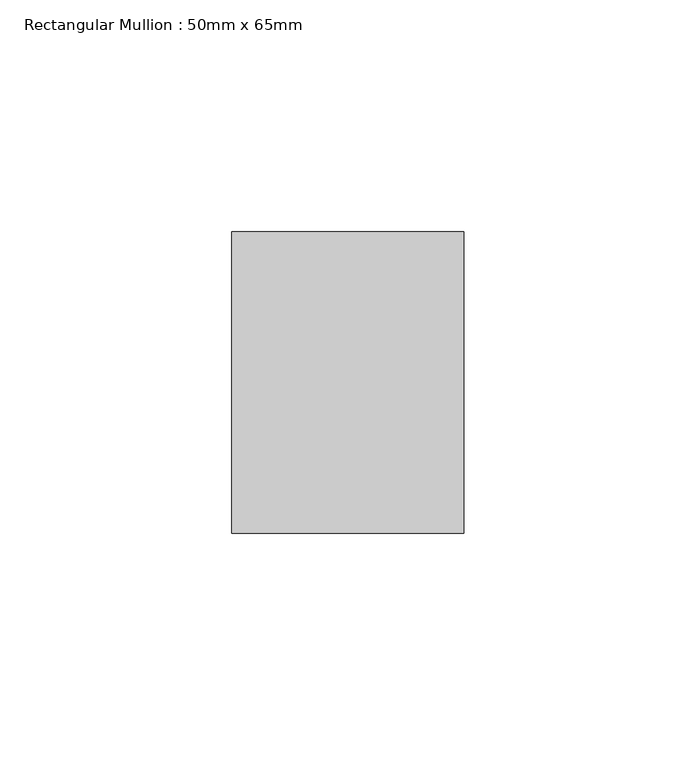
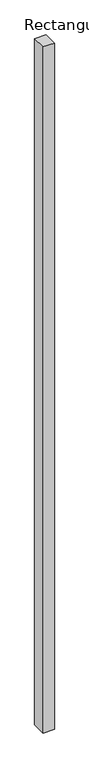
"""IFC4 building model written with IfcOpenShell, lengths in millimetres: member geometry, Rectangular Mullion : 50mm x 65mm."""

from ifc_helpers import new_model, si_unit, frame, origin, place, context, project, spatial, polyline, outline, extrude, source, transform, mapped, element, save


def rectangular_mullion_50mm_x_65mm_79b211e3(model_context):
    return source(origin(), model_context, "Body", "SweptSolid", [
        extrude(outline(polyline([(25.0, 32.5), (25.0, -32.5), (-25.0, -32.5), (-25.0, 32.5), (25.0, 32.5)])), frame((0.0, 0.0, -3235.2673996), z_axis=(0.0, 0.0, 1.0), x_axis=(1.0, 0.0, 0.0)), (0.0, 0.0, 1.0), 3235.2673996),
    ])


if __name__ == "__main__":
    model = new_model("IFC4")
    model_context = context("Model", 3, world=origin())
    ifc_project = project(units=[si_unit("LENGTHUNIT", "METRE", prefix="MILLI")], contexts=[model_context])
    site = spatial("IfcSite", under=ifc_project)
    building = spatial("IfcBuilding", under=site)
    placement = place(None, origin())
    rectangular_mullion_50mm_x_65mm_shape = rectangular_mullion_50mm_x_65mm_79b211e3(model_context)
    element("IfcMember", 1, ObjectType="Rectangular Mullion : 50mm x 65mm", at=placement, inside=building, context=model_context, shape_type="MappedRepresentation", body=[
        mapped(rectangular_mullion_50mm_x_65mm_shape, transform((0.0, 0.0, 0.0), x_axis=(1.0, 0.0, 0.0), y_axis=(0.0, 1.0, 0.0), z_axis=(0.0, 0.0, 1.0))),
    ])
    save(model, "model.ifc")
